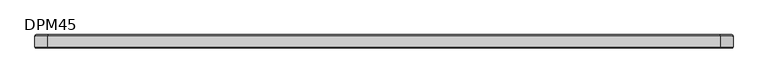
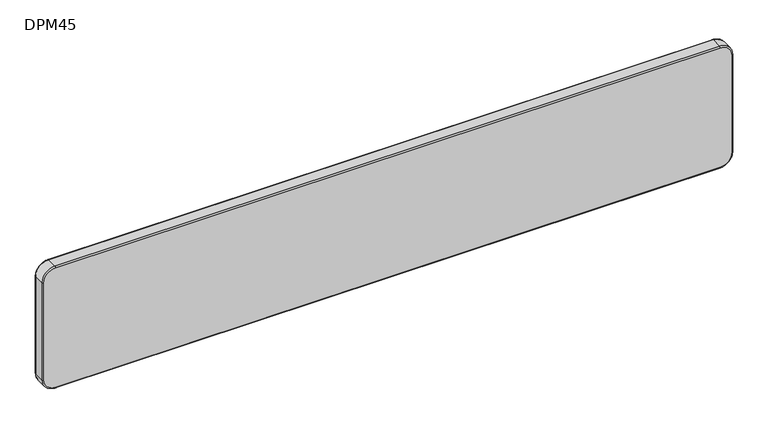
"""IFC4 building model written with IfcOpenShell, lengths in millimetres: furniture geometry, DPM45."""

import ifcopenshell
import ifcopenshell.guid

model = None  # the IFC model being written
_history = None  # IfcOwnerHistory: only IFC2X3 demands one
_inside = {}  # id of a spatial element -> (the spatial element, [elements in it])
_under = {}  # id of a project, library or spatial element -> (it, [spatial elements below it])
_declared = {}  # id of a project -> (the project, [libraries it declares])
_typed = {}  # id of a type object -> (the type object, [elements of that type])
_made_of = {}  # id of a material, layer set ... -> (it, [elements and type objects made of it])


def new_model(schema):
    """Start an empty IFC model of exactly this schema.

    Asked for "IFC4X3", IfcOpenShell would pick the latest addendum, in which some entities
    have other attributes; the version numbers below select the first issue.
    IFC2X3 requires an IfcOwnerHistory on every rooted entity: one is made here for all.
    """
    global model, _history
    if schema == "IFC4X3":
        model = ifcopenshell.file(schema_version=(4, 3, 0, 0))
    else:
        model = ifcopenshell.file(schema=schema)
    _inside.clear()
    _under.clear()
    _declared.clear()
    _typed.clear()
    _made_of.clear()
    _history = None
    if model.schema == "IFC2X3":
        org = make("IfcOrganization", Name="unknown")
        user = make(
            "IfcPersonAndOrganization",
            ThePerson=make("IfcPerson", FamilyName="unknown"),
            TheOrganization=org,
        )
        app = make(
            "IfcApplication",
            ApplicationDeveloper=org,
            Version="unknown",
            ApplicationFullName="unknown",
            ApplicationIdentifier="unknown",
        )
        _history = make(
            "IfcOwnerHistory",
            OwningUser=user,
            OwningApplication=app,
            ChangeAction="ADDED",
            CreationDate=0,
        )
    return model


def make(cls, **values):
    """One entity of the class cls with the attributes given. An attribute that is None is left unset."""
    return model.create_entity(
        cls, **{name: value for name, value in values.items() if value is not None}
    )


def rooted(cls, **values):
    """An entity with a GlobalId (a new one), such as an element, a storey or a relation."""
    return make(cls, GlobalId=ifcopenshell.guid.new(), OwnerHistory=_history, **values)


def si_unit(unit_type, name, prefix=None):
    """IfcSIUnit, for example si_unit("LENGTHUNIT", "METRE", prefix="MILLI")."""
    return make("IfcSIUnit", UnitType=unit_type, Prefix=prefix, Name=name)


def assignment(units):
    """IfcUnitAssignment: the units of a project."""
    return None if units is None else make("IfcUnitAssignment", Units=units)


def point(xyz):
    """IfcCartesianPoint."""
    return None if xyz is None else make("IfcCartesianPoint", Coordinates=xyz)


def direction(xyz):
    """IfcDirection."""
    return None if xyz is None else make("IfcDirection", DirectionRatios=xyz)


def frame(location, z_axis=None, x_axis=None):
    """IfcAxis2Placement3D, a coordinate frame: its origin and axes. An axis left out is left unset."""
    return make(
        "IfcAxis2Placement3D",
        Location=point(location),
        Axis=direction(z_axis),
        RefDirection=direction(x_axis),
    )


def origin():
    """The frame at (0, 0, 0) with its axes left unset."""
    return frame((0.0, 0.0, 0.0))


def place(relative_to, where):
    """IfcLocalPlacement: puts the frame where relative to a parent placement (None: the world)."""
    return make(
        "IfcLocalPlacement", PlacementRelTo=relative_to, RelativePlacement=where
    )


def context(
    kind, dimensions, precision=None, world=None, true_north=None, identifier=None
):
    """IfcGeometricRepresentationContext, for example the 3D "Model" context."""
    return make(
        "IfcGeometricRepresentationContext",
        ContextIdentifier=identifier,
        ContextType=kind,
        CoordinateSpaceDimension=dimensions,
        Precision=precision,
        WorldCoordinateSystem=world,
        TrueNorth=true_north,
    )


def project(units=None, contexts=None):
    """IfcProject with its units and contexts."""
    return rooted(
        "IfcProject",
        Name="project",
        RepresentationContexts=contexts,
        UnitsInContext=assignment(units),
    )


def spatial(cls, under=None, at=None, **own):
    """A site, building, storey or space (cls), placed at a placement, below another one or the project."""
    s = rooted(cls, ObjectPlacement=at, **own)
    if under is not None:
        _under.setdefault(under.id(), (under, []))[1].append(s)
    return s


def circle_curve(where, radius):
    """IfcCircle in the frame where."""
    return make("IfcCircle", Position=where, Radius=radius)


def ellipse_curve(where, semi_axis1, semi_axis2):
    """IfcEllipse in the frame where."""
    return make(
        "IfcEllipse", Position=where, SemiAxis1=semi_axis1, SemiAxis2=semi_axis2
    )


def trimmed(basis, trim1, trim2, sense, master):
    """IfcTrimmedCurve: the piece of a basis curve between two trims."""
    return make(
        "IfcTrimmedCurve",
        BasisCurve=basis,
        Trim1=trim1,
        Trim2=trim2,
        SenseAgreement=sense,
        MasterRepresentation=master,
    )


def shape(context_of_items, identifier, shape_type, items):
    """IfcShapeRepresentation: the items that make up one representation, for example the "Body"."""
    return make(
        "IfcShapeRepresentation",
        ContextOfItems=context_of_items,
        RepresentationIdentifier=identifier,
        RepresentationType=shape_type,
        Items=items,
    )


def source(mapping_origin, context_of_items, identifier, shape_type, items):
    """IfcRepresentationMap: a shape defined once, which mapped items show again and again."""
    return make(
        "IfcRepresentationMap",
        MappingOrigin=mapping_origin,
        MappedRepresentation=shape(context_of_items, identifier, shape_type, items),
    )


def transform(
    local_origin,
    x_axis=None,
    y_axis=None,
    z_axis=None,
    scale=None,
    scale2=None,
    scale3=None,
    uniform=True,
):
    """IfcCartesianTransformationOperator3D, or its non-uniform kind. x_axis, y_axis, z_axis: its Axis1, 2, 3."""
    if uniform:
        return make(
            "IfcCartesianTransformationOperator3D",
            Axis1=direction(x_axis),
            Axis2=direction(y_axis),
            LocalOrigin=point(local_origin),
            Scale=scale,
            Axis3=direction(z_axis),
        )
    return make(
        "IfcCartesianTransformationOperator3DnonUniform",
        Axis1=direction(x_axis),
        Axis2=direction(y_axis),
        LocalOrigin=point(local_origin),
        Scale=scale,
        Axis3=direction(z_axis),
        Scale2=scale2,
        Scale3=scale3,
    )


def mapped(mapping_source, mapping_target):
    """IfcMappedItem: shows the shape of a source again, moved by a transform."""
    return make(
        "IfcMappedItem", MappingSource=mapping_source, MappingTarget=mapping_target
    )


def made_of(thing, what):
    """Note that an element or type object is made of a material, layer set ...; save() writes the relation."""
    if what is not None:
        _made_of.setdefault(what.id(), (what, []))[1].append(thing)
    return thing


def element(
    cls,
    number,
    at=None,
    inside=None,
    cuts=None,
    type_object=None,
    material=None,
    context=None,
    identifier="Body",
    shape_type=None,
    held_by="IfcProductDefinitionShape",
    body=None,
    shapes=None,
    **own,
):
    """One element of the class cls, such as IfcWall. Its Tag is "e" and its number.

    at: its placement. inside: the storey or other place that contains it. cuts: it is an
    opening in that element (IfcRelVoidsElement). A single representation is given by context,
    identifier, shape_type and body (its items); several are given by shapes. held_by: the class
    of the entity that holds the representations. save() writes the other relations.
    """
    e = rooted(cls, Tag="e%d" % number, ObjectPlacement=at, **own)
    if body is not None:
        shapes = [shape(context, identifier, shape_type, body)]
    if shapes is not None:
        e.Representation = make(held_by, Representations=shapes)
    if inside is not None:
        _inside.setdefault(inside.id(), (inside, []))[1].append(e)
    if cuts is not None:
        rooted(
            "IfcRelVoidsElement", RelatingBuildingElement=cuts, RelatedOpeningElement=e
        )
    if type_object is not None:
        _typed.setdefault(type_object.id(), (type_object, []))[1].append(e)
    return made_of(e, material)


def aggregate(whole, parts):
    """IfcRelAggregates: a whole, such as a stair, and the parts it consists of."""
    return rooted("IfcRelAggregates", RelatingObject=whole, RelatedObjects=parts)


def save(model, path):
    """Write the relations noted so far, then the file.

    IfcRelAggregates (storeys below a building ...), IfcRelContainedInSpatialStructure (elements
    in a storey), IfcRelDefinesByType, IfcRelAssociatesMaterial and IfcRelDeclares: one each for
    every whole, place, type object, material and project.
    """
    for whole, parts in _under.values():
        aggregate(whole, parts)
    for where, things in _inside.values():
        rooted(
            "IfcRelContainedInSpatialStructure",
            RelatedElements=things,
            RelatingStructure=where,
        )
    for kind, things in _typed.values():
        rooted("IfcRelDefinesByType", RelatedObjects=things, RelatingType=kind)
    for what, things in _made_of.values():
        rooted("IfcRelAssociatesMaterial", RelatedObjects=things, RelatingMaterial=what)
    for by, libraries in _declared.values():
        rooted("IfcRelDeclares", RelatingContext=by, RelatedDefinitions=libraries)
    model.write(path)


def plane_surface(at):
    """IfcPlane: the flat surface through the origin of the frame at, square to its z axis."""
    return make("IfcPlane", Position=at)


def cylinder_surface(at, radius):
    """IfcCylindricalSurface: all points at the distance radius from the z axis of the frame at."""
    return make("IfcCylindricalSurface", Position=at, Radius=radius)


def revolved_surface(curve, axis_point, axis_direction):
    """IfcSurfaceOfRevolution: the curve turned about the line through axis_point along axis_direction."""
    return make(
        "IfcSurfaceOfRevolution",
        SweptCurve=make("IfcArbitraryOpenProfileDef", ProfileType="CURVE", Curve=curve),
        AxisPosition=make("IfcAxis1Placement", Location=point(axis_point), Axis=direction(axis_direction)),
    )


def advanced_brep(points, edges, surfaces, faces):
    """IfcAdvancedBrep: a solid bounded by faces that lie on surfaces and meet in shared edges.

    An edge is (start, end): straight between two places in points (the first is 0);
    or (start, end, curve); or (start, end, curve, False) where it runs against its curve.
    A face is (place in surfaces, loops), or (place, loops, False) where it looks against
    its surface's normal. A loop lists edges by number (the first is 1), with a minus sign
    where the edge is run from its end to its start. The first loop is the outer one.
    """
    corners = [point(p) for p in points]
    vertices = [make("IfcVertexPoint", VertexGeometry=c) for c in corners]
    made = []
    for start, end, *more in edges:
        made.append(
            make(
                "IfcEdgeCurve",
                EdgeStart=vertices[start],
                EdgeEnd=vertices[end],
                EdgeGeometry=more[0] if more else make("IfcPolyline", Points=[corners[start], corners[end]]),
                SameSense=more[1] if len(more) > 1 else True,
            )
        )
    hull = []
    for where, loops, *sense in faces:
        bounds = []
        for j, loop in enumerate(loops):
            ring = [make("IfcOrientedEdge", EdgeElement=made[abs(k) - 1], Orientation=k > 0) for k in loop]
            bounds.append(
                make(
                    "IfcFaceOuterBound" if j == 0 else "IfcFaceBound",
                    Bound=make("IfcEdgeLoop", EdgeList=ring),
                    Orientation=True,
                )
            )
        hull.append(make("IfcAdvancedFace", Bounds=bounds, FaceSurface=surfaces[where], SameSense=sense[0] if sense else True))
    return make("IfcAdvancedBrep", Outer=make("IfcClosedShell", CfsFaces=hull))


def dpm45_02f18a4f(model_context):
    return source(origin(), model_context, "Body", "AdvancedBrep", [
        advanced_brep(
        [(-722.0, -14.5, 283.0), (-747.0, -14.5, 258.0), (-747.0, -14.5, 34.0), (-722.0, -14.5, 9.0), (722.0, -14.5, 9.0), (747.0, -14.5, 34.0), (747.0, -14.5, 258.0), (722.0, -14.5, 283.0), (722.0, 14.5, 283.0), (747.0, 14.5, 258.0), (747.0, 14.5, 34.0), (722.0, 14.5, 9.0), (-722.0, 14.5, 9.0), (-747.0, 14.5, 34.0), (-747.0, 14.5, 258.0), (-722.0, 14.5, 283.0), (-722.0, -11.5, 286.0), (722.0, -11.5, 286.0), (722.0, 11.5000013, 286.0), (-722.0, 11.5, 286.0), (-750.0, -11.5, 258.0), (-750.0, 11.5, 258.0), (-750.0, -11.5, 34.0), (-750.0, 11.5, 34.0), (-722.0, -11.5, 6.0), (-722.0, 11.5, 6.0), (722.0, -11.5, 6.0), (722.0, 11.5, 6.0), (750.0, -11.5, 34.0), (750.0, 11.5, 34.0), (750.0, -11.5, 258.0), (750.0, 11.5, 258.0)],
        [
            (0, 1, circle_curve(frame((-722.0, -14.5, 258.0), z_axis=(0.0, -1.0, 0.0), x_axis=(0.0, 0.0, 1.0)), 25.0)),
            (1, 2),
            (2, 3, circle_curve(frame((-722.0, -14.5, 34.0), z_axis=(0.0, -1.0, 0.0), x_axis=(-1.0, 0.0, 0.0)), 25.0)),
            (3, 4),
            (4, 5, circle_curve(frame((722.0, -14.5, 34.0), z_axis=(0.0, -1.0, 0.0), x_axis=(0.0, 0.0, -1.0)), 25.0)),
            (5, 6),
            (6, 7, circle_curve(frame((722.0, -14.5, 258.0), z_axis=(0.0, -1.0, 0.0), x_axis=(1.0, 0.0, 0.0)), 25.0)),
            (7, 0),
            (8, 9, circle_curve(frame((722.0, 14.5, 258.0), z_axis=(0.0, 1.0, 0.0), x_axis=(0.0, 0.0, 1.0)), 25.0)),
            (9, 10),
            (10, 11, circle_curve(frame((722.0, 14.5, 34.0), z_axis=(0.0, 1.0, 0.0), x_axis=(1.0, 0.0, 0.0)), 25.0)),
            (11, 12),
            (12, 13, circle_curve(frame((-722.0, 14.5, 34.0), z_axis=(0.0, 1.0, 0.0), x_axis=(0.0, 0.0, -1.0)), 25.0)),
            (13, 14),
            (14, 15, circle_curve(frame((-722.0, 14.5, 258.0), z_axis=(0.0, 1.0, 0.0), x_axis=(-1.0, 0.0, 0.0)), 25.0)),
            (15, 8),
            (16, 17),
            (17, 18),
            (18, 19),
            (19, 16),
            (20, 16, circle_curve(frame((-722.0, -11.5, 258.0), z_axis=(0.0, 1.0, 0.0), x_axis=(1.0, 0.0, 0.0)), 28.0)),
            (19, 21, circle_curve(frame((-722.0, 11.5, 258.0), z_axis=(0.0, -1.0, 0.0), x_axis=(1.0, 0.0, 0.0)), 28.0)),
            (21, 20),
            (22, 20),
            (21, 23),
            (23, 22),
            (24, 22, circle_curve(frame((-722.0, -11.5, 34.0), z_axis=(0.0, 1.0, 0.0), x_axis=(1.0, 0.0, 0.0)), 28.0)),
            (23, 25, circle_curve(frame((-722.0, 11.5, 34.0), z_axis=(0.0, -1.0, 0.0), x_axis=(1.0, 0.0, 0.0)), 28.0)),
            (25, 24),
            (26, 24),
            (25, 27),
            (27, 26),
            (28, 26, circle_curve(frame((722.0, -11.5, 34.0), z_axis=(0.0, 1.0, 0.0), x_axis=(1.0, 0.0, 0.0)), 28.0)),
            (27, 29, circle_curve(frame((722.0, 11.5, 34.0), z_axis=(0.0, -1.0, 0.0), x_axis=(1.0, 0.0, 0.0)), 28.0)),
            (29, 28),
            (30, 28),
            (29, 31),
            (31, 30),
            (17, 30, circle_curve(frame((722.0, -11.5, 258.0), z_axis=(0.0, 1.0, 0.0), x_axis=(1.0, 0.0, 0.0)), 28.0)),
            (31, 18, circle_curve(frame((722.0, 11.5, 258.0), z_axis=(0.0, -1.0, 0.0), x_axis=(1.0, 0.0, 0.0)), 28.0)),
            (20, 1, circle_curve(frame((-747.0, -11.5, 258.0), z_axis=(0.0, 0.0, 1.0), x_axis=(0.0, -1.0, 0.0)), 3.0)),
            (0, 16, circle_curve(frame((-722.0, -11.5, 283.0), z_axis=(-1.0, 0.0, 0.0), x_axis=(0.0, -1.0, 0.0)), 3.0)),
            (22, 2, circle_curve(frame((-747.0, -11.5, 34.0), z_axis=(0.0, 0.0, 1.0), x_axis=(0.0, -1.0, 0.0)), 3.0)),
            (24, 3, circle_curve(frame((-722.0, -11.5, 9.0), z_axis=(-1.0, 0.0, 0.0), x_axis=(0.0, -1.0, 0.0)), 3.0)),
            (26, 4, circle_curve(frame((722.0, -11.5, 9.0), z_axis=(-1.0, 0.0, 0.0), x_axis=(0.0, -1.0, 0.0)), 3.0)),
            (28, 5, circle_curve(frame((747.0, -11.5, 34.0), z_axis=(0.0, 0.0, -1.0), x_axis=(0.0, -1.0, 0.0)), 3.0)),
            (30, 6, circle_curve(frame((747.0, -11.5, 258.0), z_axis=(0.0, 0.0, -1.0), x_axis=(0.0, -1.0, 0.0)), 3.0)),
            (17, 7, circle_curve(frame((722.0, -11.5, 283.0), z_axis=(1.0, 0.0, 0.0), x_axis=(0.0, -1.0, 0.0)), 3.0)),
            (31, 9, circle_curve(frame((747.0, 11.5, 258.0), z_axis=(0.0, 0.0, 1.0), x_axis=(1.0, 0.0, 0.0)), 3.0)),
            (8, 18, circle_curve(frame((722.0, 11.5, 283.0), z_axis=(1.0, 0.0, 0.0), x_axis=(0.0, 0.0, 1.0)), 3.0)),
            (29, 10, circle_curve(frame((747.0, 11.5, 34.0), z_axis=(0.0, 0.0, 1.0), x_axis=(1.0, 0.0, 0.0)), 3.0)),
            (27, 11, circle_curve(frame((722.0, 11.5, 9.0), z_axis=(1.0, 0.0, 0.0), x_axis=(0.0, 0.0, -1.0)), 3.0)),
            (25, 12, circle_curve(frame((-722.0, 11.5, 9.0), z_axis=(1.0, 0.0, 0.0), x_axis=(0.0, 0.0, -1.0)), 3.0)),
            (23, 13, circle_curve(frame((-747.0, 11.5, 34.0), z_axis=(0.0, 0.0, -1.0), x_axis=(-1.0, 0.0, 0.0)), 3.0)),
            (21, 14, circle_curve(frame((-747.0, 11.5, 258.0), z_axis=(0.0, 0.0, -1.0), x_axis=(-1.0, 0.0, 0.0)), 3.0)),
            (19, 15, circle_curve(frame((-722.0, 11.5, 283.0), z_axis=(-1.0, 0.0, 0.0), x_axis=(0.0, 0.0, 1.0)), 3.0)),
        ],
        [
            plane_surface(frame((-722.0, -14.5, 286.0), z_axis=(0.0, -1.0, 0.0), x_axis=(-1.0, 0.0, 0.0))),
            plane_surface(frame((-722.0, 14.5, 286.0), z_axis=(0.0, 1.0, 0.0), x_axis=(1.0, 0.0, 0.0))),
            plane_surface(frame((722.0, -14.5, 286.0), z_axis=(0.0, 0.0, 1.0), x_axis=(0.0, 1.0, 0.0))),
            cylinder_surface(frame((-722.0, 14.5, 258.0), z_axis=(0.0, -1.0, 0.0), x_axis=(1.0, 0.0, 0.0)), 28.0),
            plane_surface(frame((-750.0, -14.5, 258.0), z_axis=(-1.0, 0.0, 0.0), x_axis=(0.0, 1.0, 0.0))),
            cylinder_surface(frame((-722.0, 14.5, 34.0), z_axis=(0.0, -1.0, 0.0), x_axis=(1.0, 0.0, 0.0)), 28.0),
            plane_surface(frame((-722.0, -14.5, 6.0), z_axis=(0.0, 0.0, -1.0), x_axis=(0.0, 1.0, 0.0))),
            cylinder_surface(frame((722.0, 14.5, 34.0), z_axis=(0.0, -1.0, 0.0), x_axis=(1.0, 0.0, 0.0)), 28.0),
            plane_surface(frame((750.0, -14.5, 34.0), z_axis=(1.0, 0.0, 0.0), x_axis=(0.0, 1.0, 0.0))),
            cylinder_surface(frame((722.0, 14.5, 258.0), z_axis=(0.0, -1.0, 0.0), x_axis=(1.0, 0.0, 0.0)), 28.0),
            revolved_surface(trimmed(ellipse_curve(frame((-722.0, -11.5, 283.0), z_axis=(1.0, 0.0, 0.0), x_axis=(0.0, -1.0, 0.0)), 3.0, 3.0), [point((-722.0, -11.5, 286.0))], [point((-722.0, -14.5, 283.0))], True, "CARTESIAN"), (-722.0, -14.5, 258.0), (0.0, -1.0, 0.0)),
            cylinder_surface(frame((-747.0, -11.5, 258.0), z_axis=(0.0, 0.0, -1.0), x_axis=(0.0, -1.0, 0.0)), 3.0),
            revolved_surface(trimmed(ellipse_curve(frame((-747.0, -11.5, 34.0), z_axis=(0.0, 0.0, 1.0), x_axis=(0.0, -1.0, 0.0)), 3.0, 3.0), [point((-750.0, -11.5, 34.0))], [point((-747.0, -14.5, 34.0))], True, "CARTESIAN"), (-722.0, -14.5, 34.0), (0.0, -1.0, 0.0)),
            cylinder_surface(frame((-722.0, -11.5, 9.0), z_axis=(1.0, 0.0, 0.0), x_axis=(0.0, -1.0, 0.0)), 3.0),
            revolved_surface(trimmed(ellipse_curve(frame((722.0, -11.5, 9.0), z_axis=(-1.0, 0.0, 0.0), x_axis=(0.0, -1.0, 0.0)), 3.0, 3.0), [point((722.0, -11.5, 6.0))], [point((722.0, -14.5, 9.0))], True, "CARTESIAN"), (722.0, -14.5, 34.0), (0.0, -1.0, 0.0)),
            cylinder_surface(frame((747.0, -11.5, 34.0), z_axis=(0.0, 0.0, 1.0), x_axis=(0.0, -1.0, 0.0)), 3.0),
            revolved_surface(trimmed(ellipse_curve(frame((747.0, -11.5, 258.0), z_axis=(0.0, 0.0, -1.0), x_axis=(0.0, -1.0, 0.0)), 3.0, 3.0), [point((750.0, -11.5, 258.0))], [point((747.0, -14.5, 258.0))], True, "CARTESIAN"), (722.0, -14.5, 258.0), (0.0, -1.0, 0.0)),
            cylinder_surface(frame((722.0, -11.5, 283.0), z_axis=(-1.0, 0.0, 0.0), x_axis=(0.0, -1.0, 0.0)), 3.0),
            revolved_surface(trimmed(ellipse_curve(frame((722.0, 11.5, 283.0), z_axis=(-1.0, 0.0, 0.0), x_axis=(0.0, 0.0, 1.0)), 3.0, 3.0), [point((722.0, 11.5, 286.0))], [point((722.0, 14.5, 283.0))], True, "CARTESIAN"), (722.0, 0.0, 258.0), (0.0, 1.0, 0.0)),
            cylinder_surface(frame((747.0, 11.5, 258.0), z_axis=(0.0, 0.0, -1.0), x_axis=(1.0, 0.0, 0.0)), 3.0),
            revolved_surface(trimmed(ellipse_curve(frame((747.0, 11.5, 34.0), z_axis=(0.0, 0.0, 1.0), x_axis=(1.0, 0.0, 0.0)), 3.0, 3.0), [point((750.0, 11.5, 34.0))], [point((747.0, 14.5, 34.0))], True, "CARTESIAN"), (722.0, 0.0, 34.0), (0.0, 1.0, 0.0)),
            cylinder_surface(frame((722.0, 11.5, 9.0), z_axis=(-1.0, 0.0, 0.0), x_axis=(0.0, 0.0, -1.0)), 3.0),
            revolved_surface(trimmed(ellipse_curve(frame((-722.0, 11.5, 9.0), z_axis=(1.0, 0.0, 0.0), x_axis=(0.0, 0.0, -1.0)), 3.0, 3.0), [point((-722.0, 11.5, 6.0))], [point((-722.0, 14.5, 9.0))], True, "CARTESIAN"), (-722.0, 0.0, 34.0), (0.0, 1.0, 0.0)),
            cylinder_surface(frame((-747.0, 11.5, 34.0), z_axis=(0.0, 0.0, 1.0), x_axis=(-1.0, 0.0, 0.0)), 3.0),
            revolved_surface(trimmed(ellipse_curve(frame((-747.0, 11.5, 258.0), z_axis=(0.0, 0.0, -1.0), x_axis=(-1.0, 0.0, 0.0)), 3.0, 3.0), [point((-750.0, 11.5, 258.0))], [point((-747.0, 14.5, 258.0))], True, "CARTESIAN"), (-722.0, 0.0, 258.0), (0.0, 1.0, 0.0)),
            cylinder_surface(frame((-722.0, 11.5, 283.0), z_axis=(1.0, 0.0, 0.0), x_axis=(0.0, 0.0, 1.0)), 3.0),
        ],
        [
            (0, [[1, 2, 3, 4, 5, 6, 7, 8]]),
            (1, [[9, 10, 11, 12, 13, 14, 15, 16]]),
            (2, [[17, 18, 19, 20]]),
            (3, [[21, -20, 22, 23]]),
            (4, [[24, -23, 25, 26]]),
            (5, [[27, -26, 28, 29]]),
            (6, [[30, -29, 31, 32]]),
            (7, [[33, -32, 34, 35]]),
            (8, [[36, -35, 37, 38]]),
            (9, [[39, -38, 40, -18]]),
            (10, [[41, -1, 42, -21]]),
            (11, [[-41, -24, 43, -2]]),
            (12, [[-43, -27, 44, -3]]),
            (13, [[-44, -30, 45, -4]]),
            (14, [[-45, -33, 46, -5]]),
            (15, [[-46, -36, 47, -6]]),
            (16, [[-47, -39, 48, -7]]),
            (17, [[-42, -8, -48, -17]]),
            (18, [[49, -9, 50, -40]]),
            (19, [[-49, -37, 51, -10]]),
            (20, [[-51, -34, 52, -11]]),
            (21, [[-52, -31, 53, -12]]),
            (22, [[-53, -28, 54, -13]]),
            (23, [[-54, -25, 55, -14]]),
            (24, [[-55, -22, 56, -15]]),
            (25, [[-50, -16, -56, -19]]),
        ],
    ),
    ])


if __name__ == "__main__":
    model = new_model("IFC4")
    model_context = context("Model", 3, world=origin())
    ifc_project = project(units=[si_unit("LENGTHUNIT", "METRE", prefix="MILLI")], contexts=[model_context])
    site = spatial("IfcSite", under=ifc_project)
    building = spatial("IfcBuilding", under=site)
    placement = place(None, origin())
    dpm45_shape = dpm45_02f18a4f(model_context)
    element("IfcFurniture", 1, ObjectType="DPM45", at=placement, inside=building, context=model_context, shape_type="MappedRepresentation", body=[
        mapped(dpm45_shape, transform((0.0, 0.0, 0.0), x_axis=(1.0, 0.0, 0.0), y_axis=(0.0, 1.0, 0.0), z_axis=(0.0, 0.0, 1.0))),
    ])
    save(model, "model.ifc")
